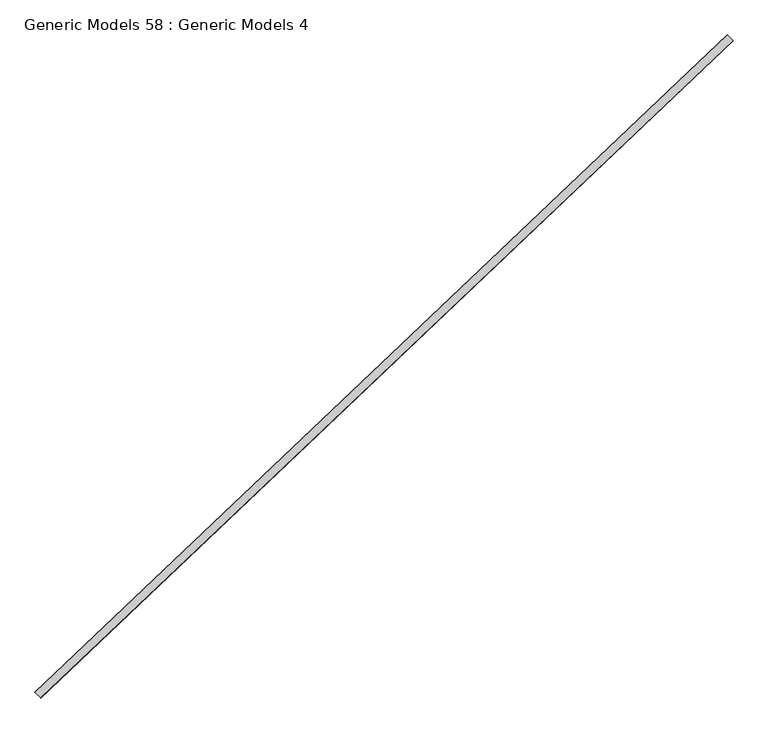
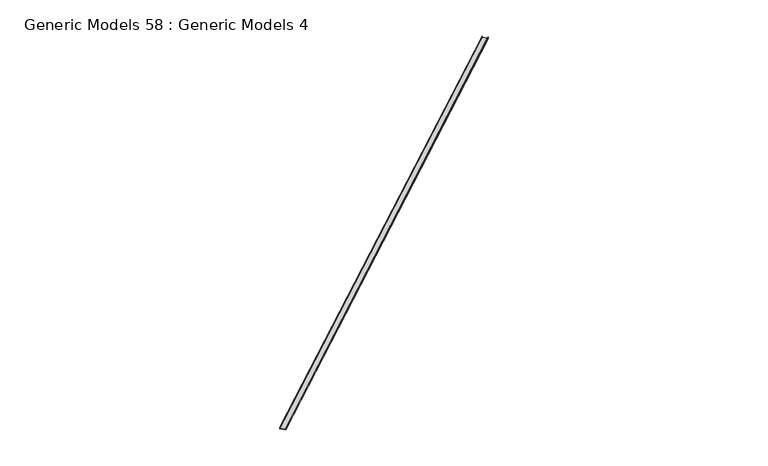
"""IFC4 building model written with IfcOpenShell, lengths in millimetres: proxy geometry, Generic Models 58 : Generic Models 4."""

from ifc_helpers import new_model, si_unit, frame, origin, place, context, project, spatial, polyline, outline, extrude, source, transform, mapped, element, save


def generic_models_58_generic_models_4_5332e650(model_context):
    return source(origin(), model_context, "Body", "SweptSolid", [
        extrude(outline(polyline([(0.0, 0.0), (0.0, 152.3999999), (41.275, 152.3999999), (41.275, 150.8124999), (1.5875, 150.8124999), (1.5875, 1.5874999), (41.275, 1.5874999), (41.275, 0.0), (0.0, 0.0)])), frame((103345.843914, 40844.0996597, 18161.0), z_axis=(0.725374371012385, 0.6883545756936514, 0.0), x_axis=(0.0, 0.0, 1.0)), (0.0, 0.0, 1.0), 17560.925),
    ])


if __name__ == "__main__":
    model = new_model("IFC4")
    model_context = context("Model", 3, world=origin())
    ifc_project = project(units=[si_unit("LENGTHUNIT", "METRE", prefix="MILLI")], contexts=[model_context])
    site = spatial("IfcSite", under=ifc_project)
    building = spatial("IfcBuilding", under=site)
    placement = place(None, origin())
    generic_models_58_generic_models_4_shape = generic_models_58_generic_models_4_5332e650(model_context)
    element("IfcBuildingElementProxy", 1, Name="Generic Models 58 : Generic Models 4", ObjectType="Generic Models 58 : Generic Models 4", at=placement, inside=building, context=model_context, shape_type="MappedRepresentation", body=[
        mapped(generic_models_58_generic_models_4_shape, transform((0.0, 0.0, 0.0), x_axis=(1.0, 0.0, 0.0), y_axis=(0.0, 1.0, 0.0), z_axis=(0.0, 0.0, 1.0))),
    ])
    save(model, "model.ifc")
